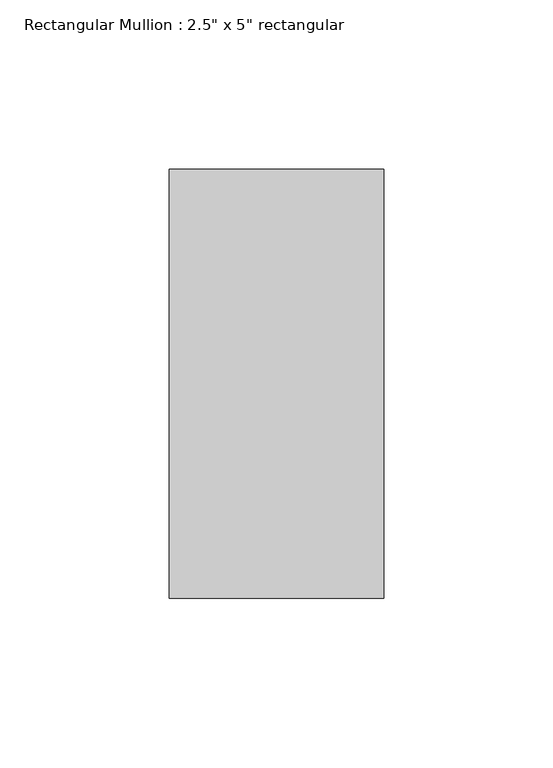
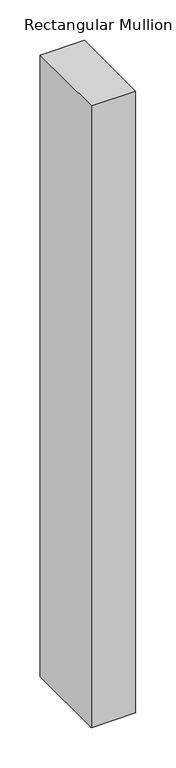
"""IFC4 building model written with IfcOpenShell, lengths in millimetres: member geometry."""

from ifc_helpers import new_model, si_unit, frame, origin, place, context, project, spatial, polyline, outline, extrude, source, transform, mapped, element, save


def member_b4482b80(model_context):
    return source(origin(), model_context, "Body", "SweptSolid", [
        extrude(outline(polyline([(0.0, 63.5), (0.0, -63.5), (-63.5, -63.5), (-63.5, 63.5), (0.0, 63.5)])), frame((0.0, 0.0, -941.34584), z_axis=(0.0, 0.0, 1.0), x_axis=(1.0, 0.0, 0.0)), (0.0, 0.0, 1.0), 941.34584),
    ])


if __name__ == "__main__":
    model = new_model("IFC4")
    model_context = context("Model", 3, world=origin())
    ifc_project = project(units=[si_unit("LENGTHUNIT", "METRE", prefix="MILLI")], contexts=[model_context])
    site = spatial("IfcSite", under=ifc_project)
    building = spatial("IfcBuilding", under=site)
    placement = place(None, origin())
    member_shape = member_b4482b80(model_context)
    element("IfcMember", 1, ObjectType="Rectangular Mullion : 2.5\" x 5\" rectangular", at=placement, inside=building, context=model_context, shape_type="MappedRepresentation", body=[
        mapped(member_shape, transform((0.0, 0.0, 0.0), x_axis=(1.0, 0.0, 0.0), y_axis=(0.0, 1.0, 0.0), z_axis=(0.0, 0.0, 1.0))),
    ])
    save(model, "model.ifc")
